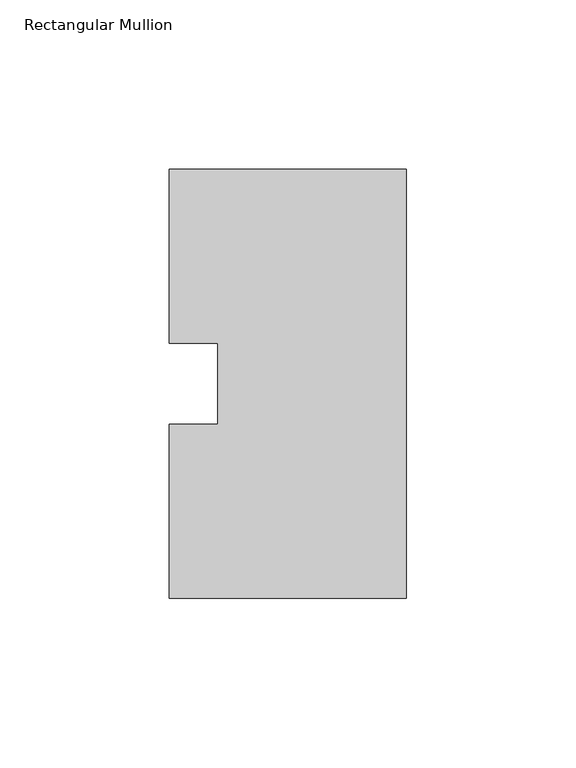
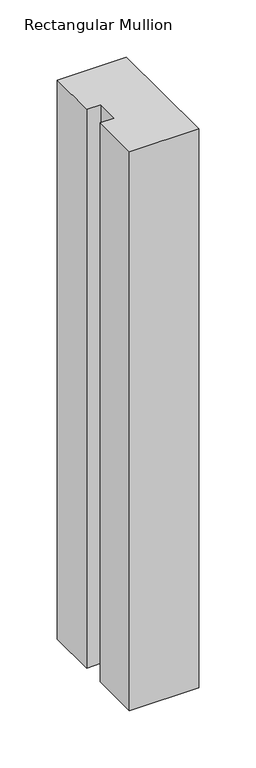
"""IFC4 building model written with IfcOpenShell, lengths in millimetres: member geometry, Rectangular Mullion."""

from ifc_helpers import new_model, si_unit, frame, origin, place, context, project, spatial, polyline, outline, extrude, source, transform, mapped, element, save


def rectangular_mullion_44d17f46(model_context):
    return source(origin(), model_context, "Body", "SweptSolid", [
        extrude(outline(polyline([(-69.85, 0.26035), (-69.85, 51.60645), (-55.5625, 51.60645), (-55.5625, 75.40625), (-69.85, 75.40625), (-69.85, 126.75235), (0.0, 126.75235), (0.0, 0.26035), (-69.85, 0.26035)])), frame((0.0, 0.0, -596.9063826), z_axis=(0.0, 0.0, 1.0), x_axis=(1.0, 0.0, 0.0)), (0.0, 0.0, 1.0), 596.9063826),
    ])


if __name__ == "__main__":
    model = new_model("IFC4")
    model_context = context("Model", 3, world=origin())
    ifc_project = project(units=[si_unit("LENGTHUNIT", "METRE", prefix="MILLI")], contexts=[model_context])
    site = spatial("IfcSite", under=ifc_project)
    building = spatial("IfcBuilding", under=site)
    placement = place(None, origin())
    rectangular_mullion_shape = rectangular_mullion_44d17f46(model_context)
    element("IfcMember", 1, ObjectType="Rectangular Mullion", at=placement, inside=building, context=model_context, shape_type="MappedRepresentation", body=[
        mapped(rectangular_mullion_shape, transform((0.0, 0.0, 0.0), x_axis=(1.0, 0.0, 0.0), y_axis=(0.0, 1.0, 0.0), z_axis=(0.0, 0.0, 1.0))),
    ])
    save(model, "model.ifc")
